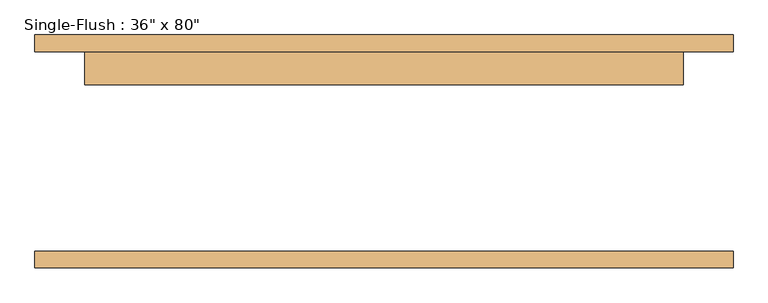
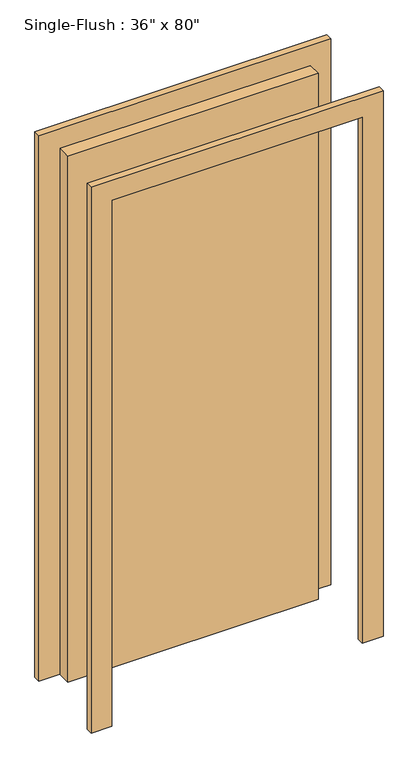
"""IFC4 building model written with IfcOpenShell, lengths in millimetres: door geometry."""

from ifc_helpers import new_model, si_unit, frame, origin, origin_with_axes, place, context, project, spatial, polyline, outline, extrude, source, transform, mapped, element, save


def door_efb18c7f(model_context):
    return source(origin(), model_context, "Body", "SweptSolid", [
        extrude(outline(polyline([(2108.2, -533.4), (0.0, -533.4), (0.0, -457.2), (2032.0, -457.2), (2032.0, 457.2), (0.0, 457.2), (0.0, 533.4), (2108.2, 533.4), (2108.2, -533.4)])), frame((0.0, 152.4, 0.0), z_axis=(0.0, 1.0, 0.0), x_axis=(0.0, 0.0, 1.0)), (0.0, 0.0, 1.0), 25.4),
        extrude(outline(polyline([(2108.2, 533.4), (2108.2, -533.4), (0.0, -533.4), (0.0, -457.2), (2032.0, -457.2), (2032.0, 457.2), (0.0, 457.2), (0.0, 533.4), (2108.2, 533.4)])), frame((0.0, -177.8, 0.0), z_axis=(0.0, 1.0, 0.0), x_axis=(0.0, 0.0, 1.0)), (0.0, 0.0, 1.0), 25.4),
        extrude(outline(polyline([(457.2, 101.6), (-457.2, 101.6), (-457.2, 152.4), (457.2, 152.4), (457.2, 101.6)])), origin_with_axes(), (0.0, 0.0, 1.0), 2032.0),
    ])


if __name__ == "__main__":
    model = new_model("IFC4")
    model_context = context("Model", 3, world=origin())
    ifc_project = project(units=[si_unit("LENGTHUNIT", "METRE", prefix="MILLI")], contexts=[model_context])
    site = spatial("IfcSite", under=ifc_project)
    building = spatial("IfcBuilding", under=site)
    placement = place(None, origin())
    door_shape = door_efb18c7f(model_context)
    element("IfcDoor", 1, ObjectType="Single-Flush : 36\" x 80\"", at=placement, inside=building, context=model_context, shape_type="MappedRepresentation", body=[
        mapped(door_shape, transform((0.0, 0.0, 0.0), x_axis=(1.0, 0.0, 0.0), y_axis=(0.0, 1.0, 0.0), z_axis=(0.0, 0.0, 1.0))),
    ])
    save(model, "model.ifc")
